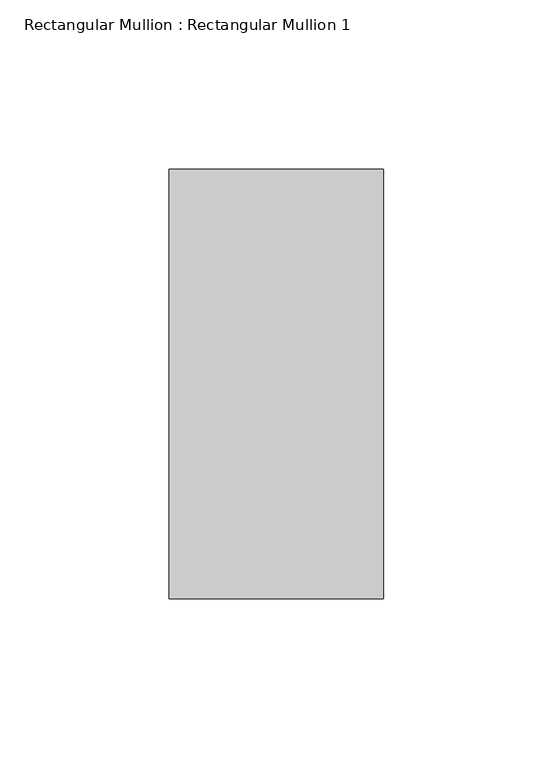
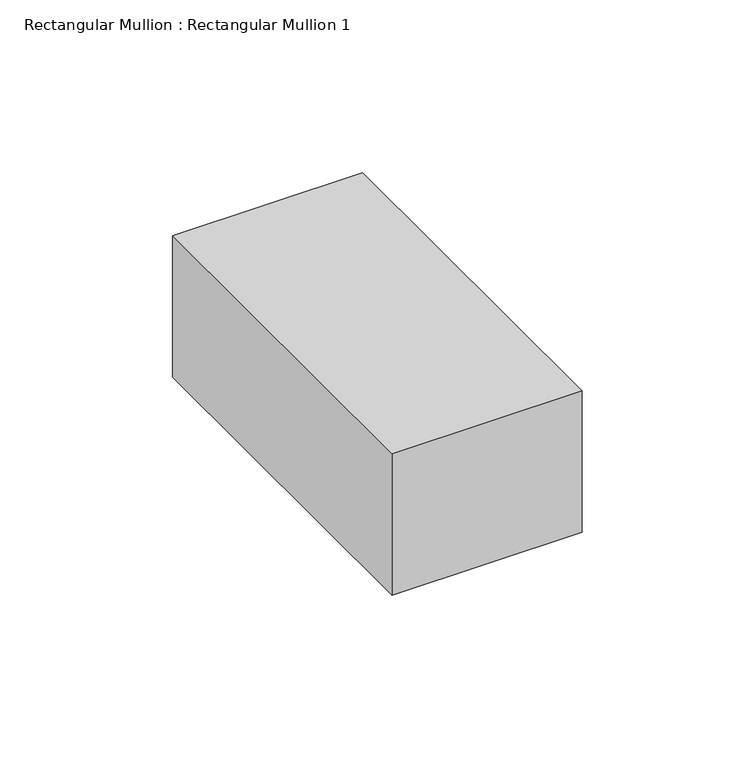
"""IFC4 building model written with IfcOpenShell, lengths in millimetres: member geometry, Rectangular Mullion : Rectangular Mullion 1."""

from ifc_helpers import new_model, si_unit, frame, origin, place, context, project, spatial, polyline, outline, extrude, source, transform, mapped, element, save


def rectangular_mullion_rectangular_mullion_1_56b489cc(model_context):
    return source(origin(), model_context, "Body", "SweptSolid", [
        extrude(outline(polyline([(31.75, 63.5), (31.75, -63.5), (-31.75, -63.5), (-31.75, 63.5), (31.75, 63.5)])), frame((0.0, 0.0, -50.0), z_axis=(0.0, 0.0, 1.0), x_axis=(1.0, 0.0, 0.0)), (0.0, 0.0, 1.0), 50.0),
    ])


if __name__ == "__main__":
    model = new_model("IFC4")
    model_context = context("Model", 3, world=origin())
    ifc_project = project(units=[si_unit("LENGTHUNIT", "METRE", prefix="MILLI")], contexts=[model_context])
    site = spatial("IfcSite", under=ifc_project)
    building = spatial("IfcBuilding", under=site)
    placement = place(None, origin())
    rectangular_mullion_rectangular_mullion_1_shape = rectangular_mullion_rectangular_mullion_1_56b489cc(model_context)
    element("IfcMember", 1, ObjectType="Rectangular Mullion : Rectangular Mullion 1", at=placement, inside=building, context=model_context, shape_type="MappedRepresentation", body=[
        mapped(rectangular_mullion_rectangular_mullion_1_shape, transform((0.0, 0.0, 0.0), x_axis=(1.0, 0.0, 0.0), y_axis=(0.0, 1.0, 0.0), z_axis=(0.0, 0.0, 1.0))),
    ])
    save(model, "model.ifc")
